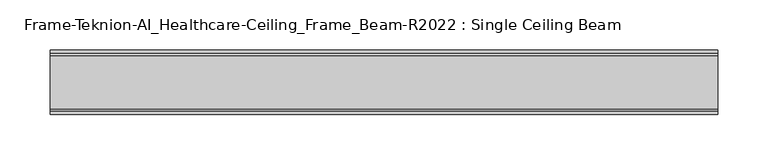
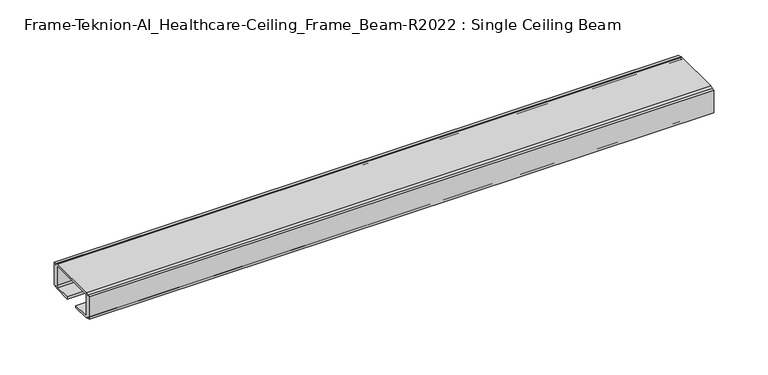
"""IFC4 building model written with IfcOpenShell, lengths in millimetres: furniture geometry, Frame-Teknion-AI_Healthcare-Ceiling_Frame_Beam-R2022 : Single Ceiling Beam."""

from ifc_helpers import new_model, si_unit, point, frame, frame_2d, origin, place, context, project, spatial, polyline, circle_curve, trimmed, segment, composite_curve, outline, extrude, source, transform, mapped, element, save


def frame_teknion_ai_healthcare_ceiling_frame_beam_r2022_single_b14843c2(model_context):
    return source(origin(), model_context, "Body", "SweptSolid", [
        extrude(outline(composite_curve([segment(polyline([(-32.174996, 1573.5046), (-32.174996, 1598.9045998), (-28.999999, 1598.9045998), (-28.999999, 1597.787)]), True, "CONTINUOUS"), segment(trimmed(circle_curve(frame_2d((-26.5869991, 1597.787)), 2.413), [point((-28.999999, 1597.787))], [point((-26.5869991, 1600.2))], False, "CARTESIAN"), True, "CONTINUOUS"), segment(polyline([(-26.5869991, 1600.2), (26.5869991, 1600.2)]), True, "CONTINUOUS"), segment(trimmed(circle_curve(frame_2d((26.5869991, 1597.787)), 2.413), [point((26.5869991, 1600.2))], [point((28.999999, 1597.787))], False, "CARTESIAN"), True, "CONTINUOUS"), segment(polyline([(28.999999, 1597.787), (28.999999, 1598.9045998), (32.174996, 1598.9045998), (32.174996, 1573.5046), (28.999999, 1573.5046), (28.999999, 1574.6129989)]), True, "CONTINUOUS"), segment(trimmed(circle_curve(frame_2d((26.5869991, 1574.6129989)), 2.413), [point((28.999999, 1574.6129989))], [point((26.5869991, 1572.199999))], False, "CARTESIAN"), True, "CONTINUOUS"), segment(polyline([(26.5869991, 1572.199999), (7.9374947, 1572.199999), (7.9374947, 1574.4859991), (25.4440002, 1574.4859991)]), True, "CONTINUOUS"), segment(trimmed(circle_curve(frame_2d((25.4440002, 1576.0099999)), 1.5240008), [point((25.4440002, 1574.4859991))], [point((26.968001, 1576.0099999))], True, "CARTESIAN"), True, "CONTINUOUS"), segment(polyline([(26.968001, 1576.0099999), (26.968001, 1597.1520009)]), True, "CONTINUOUS"), segment(trimmed(circle_curve(frame_2d((25.9520019, 1597.1520009)), 1.015999), [point((26.968001, 1597.1520009))], [point((25.9520019, 1598.168))], True, "CARTESIAN"), True, "CONTINUOUS"), segment(polyline([(25.9520019, 1598.168), (-25.9520019, 1598.168)]), True, "CONTINUOUS"), segment(trimmed(circle_curve(frame_2d((-25.9520019, 1597.1520009)), 1.015999), [point((-25.9520019, 1598.168))], [point((-26.968001, 1597.1520009))], True, "CARTESIAN"), True, "CONTINUOUS"), segment(polyline([(-26.968001, 1597.1520009), (-26.968001, 1576.0099999)]), True, "CONTINUOUS"), segment(trimmed(circle_curve(frame_2d((-25.4440002, 1576.0099999)), 1.5240008), [point((-26.968001, 1576.0099999))], [point((-25.4440002, 1574.4859991))], True, "CARTESIAN"), True, "CONTINUOUS"), segment(polyline([(-25.4440002, 1574.4859991), (-7.9374947, 1574.4859991), (-7.9374947, 1572.199999), (-26.5869991, 1572.199999)]), True, "CONTINUOUS"), segment(trimmed(circle_curve(frame_2d((-26.5869991, 1574.6129989)), 2.413), [point((-26.5869991, 1572.199999))], [point((-28.999999, 1574.6129989))], False, "CARTESIAN"), True, "CONTINUOUS"), segment(polyline([(-28.999999, 1574.6129989), (-28.999999, 1573.5046), (-32.174996, 1573.5046)]), True, "CONTINUOUS")], self_intersect=False)), frame((-332.4603284, 0.0, 0.0), z_axis=(1.0, 0.0, 0.0), x_axis=(0.0, 1.0, 0.0)), (0.0, 0.0, 1.0), 664.9206568),
    ])


if __name__ == "__main__":
    model = new_model("IFC4")
    model_context = context("Model", 3, world=origin())
    ifc_project = project(units=[si_unit("LENGTHUNIT", "METRE", prefix="MILLI")], contexts=[model_context])
    site = spatial("IfcSite", under=ifc_project)
    building = spatial("IfcBuilding", under=site)
    placement = place(None, origin())
    frame_teknion_ai_healthcare_ceiling_frame_beam_r2022_single_shape = frame_teknion_ai_healthcare_ceiling_frame_beam_r2022_single_b14843c2(model_context)
    element("IfcFurniture", 1, ObjectType="Frame-Teknion-AI_Healthcare-Ceiling_Frame_Beam-R2022 : Single Ceiling Beam", at=placement, inside=building, context=model_context, shape_type="MappedRepresentation", body=[
        mapped(frame_teknion_ai_healthcare_ceiling_frame_beam_r2022_single_shape, transform((0.0, 0.0, 0.0), x_axis=(1.0, 0.0, 0.0), y_axis=(0.0, 1.0, 0.0), z_axis=(0.0, 0.0, 1.0))),
    ])
    save(model, "model.ifc")
